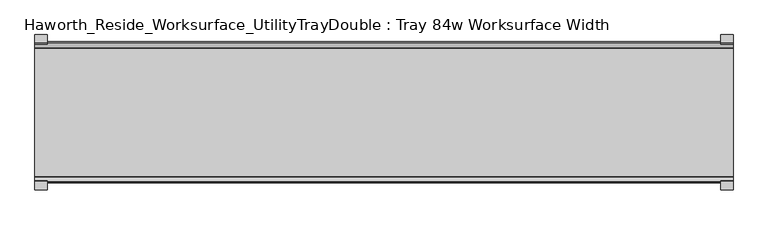
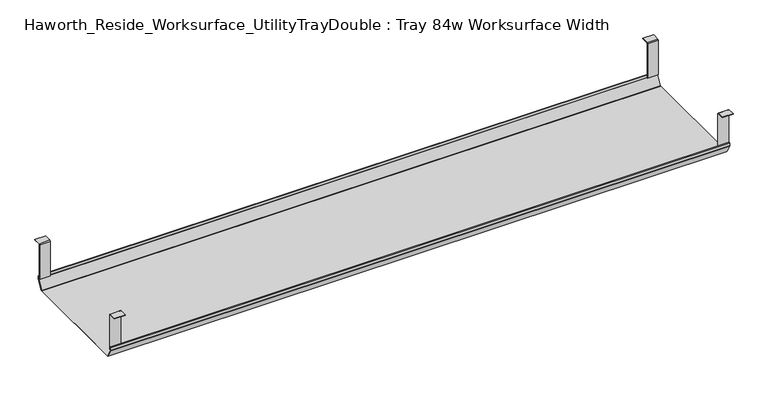
"""IFC4 building model written with IfcOpenShell, lengths in millimetres: furniture geometry, Haworth_Reside_Worksurface_UtilityTrayDouble : Tray 84w Worksurface Width."""

import ifcopenshell
import ifcopenshell.guid

model = None  # the IFC model being written
_history = None  # IfcOwnerHistory: only IFC2X3 demands one
_inside = {}  # id of a spatial element -> (the spatial element, [elements in it])
_under = {}  # id of a project, library or spatial element -> (it, [spatial elements below it])
_declared = {}  # id of a project -> (the project, [libraries it declares])
_typed = {}  # id of a type object -> (the type object, [elements of that type])
_made_of = {}  # id of a material, layer set ... -> (it, [elements and type objects made of it])


def new_model(schema):
    """Start an empty IFC model of exactly this schema.

    Asked for "IFC4X3", IfcOpenShell would pick the latest addendum, in which some entities
    have other attributes; the version numbers below select the first issue.
    IFC2X3 requires an IfcOwnerHistory on every rooted entity: one is made here for all.
    """
    global model, _history
    if schema == "IFC4X3":
        model = ifcopenshell.file(schema_version=(4, 3, 0, 0))
    else:
        model = ifcopenshell.file(schema=schema)
    _inside.clear()
    _under.clear()
    _declared.clear()
    _typed.clear()
    _made_of.clear()
    _history = None
    if model.schema == "IFC2X3":
        org = make("IfcOrganization", Name="unknown")
        user = make(
            "IfcPersonAndOrganization",
            ThePerson=make("IfcPerson", FamilyName="unknown"),
            TheOrganization=org,
        )
        app = make(
            "IfcApplication",
            ApplicationDeveloper=org,
            Version="unknown",
            ApplicationFullName="unknown",
            ApplicationIdentifier="unknown",
        )
        _history = make(
            "IfcOwnerHistory",
            OwningUser=user,
            OwningApplication=app,
            ChangeAction="ADDED",
            CreationDate=0,
        )
    return model


def make(cls, **values):
    """One entity of the class cls with the attributes given. An attribute that is None is left unset."""
    return model.create_entity(
        cls, **{name: value for name, value in values.items() if value is not None}
    )


def rooted(cls, **values):
    """An entity with a GlobalId (a new one), such as an element, a storey or a relation."""
    return make(cls, GlobalId=ifcopenshell.guid.new(), OwnerHistory=_history, **values)


def si_unit(unit_type, name, prefix=None):
    """IfcSIUnit, for example si_unit("LENGTHUNIT", "METRE", prefix="MILLI")."""
    return make("IfcSIUnit", UnitType=unit_type, Prefix=prefix, Name=name)


def assignment(units):
    """IfcUnitAssignment: the units of a project."""
    return None if units is None else make("IfcUnitAssignment", Units=units)


def point(xyz):
    """IfcCartesianPoint."""
    return None if xyz is None else make("IfcCartesianPoint", Coordinates=xyz)


def direction(xyz):
    """IfcDirection."""
    return None if xyz is None else make("IfcDirection", DirectionRatios=xyz)


def frame(location, z_axis=None, x_axis=None):
    """IfcAxis2Placement3D, a coordinate frame: its origin and axes. An axis left out is left unset."""
    return make(
        "IfcAxis2Placement3D",
        Location=point(location),
        Axis=direction(z_axis),
        RefDirection=direction(x_axis),
    )


def origin():
    """The frame at (0, 0, 0) with its axes left unset."""
    return frame((0.0, 0.0, 0.0))


def place(relative_to, where):
    """IfcLocalPlacement: puts the frame where relative to a parent placement (None: the world)."""
    return make(
        "IfcLocalPlacement", PlacementRelTo=relative_to, RelativePlacement=where
    )


def context(
    kind, dimensions, precision=None, world=None, true_north=None, identifier=None
):
    """IfcGeometricRepresentationContext, for example the 3D "Model" context."""
    return make(
        "IfcGeometricRepresentationContext",
        ContextIdentifier=identifier,
        ContextType=kind,
        CoordinateSpaceDimension=dimensions,
        Precision=precision,
        WorldCoordinateSystem=world,
        TrueNorth=true_north,
    )


def project(units=None, contexts=None):
    """IfcProject with its units and contexts."""
    return rooted(
        "IfcProject",
        Name="project",
        RepresentationContexts=contexts,
        UnitsInContext=assignment(units),
    )


def spatial(cls, under=None, at=None, **own):
    """A site, building, storey or space (cls), placed at a placement, below another one or the project."""
    s = rooted(cls, ObjectPlacement=at, **own)
    if under is not None:
        _under.setdefault(under.id(), (under, []))[1].append(s)
    return s


def polyline(points):
    """IfcPolyline through the points."""
    return make("IfcPolyline", Points=[point(p) for p in points])


def outline(outer, holes=None, kind="AREA"):
    """IfcArbitraryClosedProfileDef: a profile drawn as a closed curve; with holes, ...WithVoids."""
    if holes is None:
        return make("IfcArbitraryClosedProfileDef", ProfileType=kind, OuterCurve=outer)
    return make(
        "IfcArbitraryProfileDefWithVoids",
        ProfileType=kind,
        OuterCurve=outer,
        InnerCurves=holes,
    )


def extrude(swept, where, along, depth):
    """IfcExtrudedAreaSolid: the profile swept, set in the frame where, extruded along a direction by depth."""
    return make(
        "IfcExtrudedAreaSolid",
        SweptArea=swept,
        Position=where,
        ExtrudedDirection=direction(along),
        Depth=depth,
    )


def shape(context_of_items, identifier, shape_type, items):
    """IfcShapeRepresentation: the items that make up one representation, for example the "Body"."""
    return make(
        "IfcShapeRepresentation",
        ContextOfItems=context_of_items,
        RepresentationIdentifier=identifier,
        RepresentationType=shape_type,
        Items=items,
    )


def source(mapping_origin, context_of_items, identifier, shape_type, items):
    """IfcRepresentationMap: a shape defined once, which mapped items show again and again."""
    return make(
        "IfcRepresentationMap",
        MappingOrigin=mapping_origin,
        MappedRepresentation=shape(context_of_items, identifier, shape_type, items),
    )


def transform(
    local_origin,
    x_axis=None,
    y_axis=None,
    z_axis=None,
    scale=None,
    scale2=None,
    scale3=None,
    uniform=True,
):
    """IfcCartesianTransformationOperator3D, or its non-uniform kind. x_axis, y_axis, z_axis: its Axis1, 2, 3."""
    if uniform:
        return make(
            "IfcCartesianTransformationOperator3D",
            Axis1=direction(x_axis),
            Axis2=direction(y_axis),
            LocalOrigin=point(local_origin),
            Scale=scale,
            Axis3=direction(z_axis),
        )
    return make(
        "IfcCartesianTransformationOperator3DnonUniform",
        Axis1=direction(x_axis),
        Axis2=direction(y_axis),
        LocalOrigin=point(local_origin),
        Scale=scale,
        Axis3=direction(z_axis),
        Scale2=scale2,
        Scale3=scale3,
    )


def mapped(mapping_source, mapping_target):
    """IfcMappedItem: shows the shape of a source again, moved by a transform."""
    return make(
        "IfcMappedItem", MappingSource=mapping_source, MappingTarget=mapping_target
    )


def made_of(thing, what):
    """Note that an element or type object is made of a material, layer set ...; save() writes the relation."""
    if what is not None:
        _made_of.setdefault(what.id(), (what, []))[1].append(thing)
    return thing


def element(
    cls,
    number,
    at=None,
    inside=None,
    cuts=None,
    type_object=None,
    material=None,
    context=None,
    identifier="Body",
    shape_type=None,
    held_by="IfcProductDefinitionShape",
    body=None,
    shapes=None,
    **own,
):
    """One element of the class cls, such as IfcWall. Its Tag is "e" and its number.

    at: its placement. inside: the storey or other place that contains it. cuts: it is an
    opening in that element (IfcRelVoidsElement). A single representation is given by context,
    identifier, shape_type and body (its items); several are given by shapes. held_by: the class
    of the entity that holds the representations. save() writes the other relations.
    """
    e = rooted(cls, Tag="e%d" % number, ObjectPlacement=at, **own)
    if body is not None:
        shapes = [shape(context, identifier, shape_type, body)]
    if shapes is not None:
        e.Representation = make(held_by, Representations=shapes)
    if inside is not None:
        _inside.setdefault(inside.id(), (inside, []))[1].append(e)
    if cuts is not None:
        rooted(
            "IfcRelVoidsElement", RelatingBuildingElement=cuts, RelatedOpeningElement=e
        )
    if type_object is not None:
        _typed.setdefault(type_object.id(), (type_object, []))[1].append(e)
    return made_of(e, material)


def aggregate(whole, parts):
    """IfcRelAggregates: a whole, such as a stair, and the parts it consists of."""
    return rooted("IfcRelAggregates", RelatingObject=whole, RelatedObjects=parts)


def save(model, path):
    """Write the relations noted so far, then the file.

    IfcRelAggregates (storeys below a building ...), IfcRelContainedInSpatialStructure (elements
    in a storey), IfcRelDefinesByType, IfcRelAssociatesMaterial and IfcRelDeclares: one each for
    every whole, place, type object, material and project.
    """
    for whole, parts in _under.values():
        aggregate(whole, parts)
    for where, things in _inside.values():
        rooted(
            "IfcRelContainedInSpatialStructure",
            RelatedElements=things,
            RelatingStructure=where,
        )
    for kind, things in _typed.values():
        rooted("IfcRelDefinesByType", RelatedObjects=things, RelatingType=kind)
    for what, things in _made_of.values():
        rooted("IfcRelAssociatesMaterial", RelatedObjects=things, RelatingMaterial=what)
    for by, libraries in _declared.values():
        rooted("IfcRelDeclares", RelatingContext=by, RelatedDefinitions=libraries)
    model.write(path)


def haworth_reside_worksurface_utilitytraydouble_tray_84w_f5ab60f4(model_context):
    return source(origin(), model_context, "Body", "SweptSolid", [
        extrude(outline(polyline([(-721.2228768, 731.8375), (-718.8278791, 729.4425023), (-718.8278791, 621.6649855), (-720.2248778, 621.6649855), (-720.2248778, 729.0734626), (-721.7824239, 730.6310087), (-743.0086797, 730.6310087), (-743.0086797, 731.8375), (-721.2228768, 731.8375)])), frame((1098.4991976, 0.0, 0.0), z_axis=(1.0, 0.0, 0.0), x_axis=(0.0, 1.0, 0.0)), (0.0, 0.0, 1.0), 31.8008024),
        extrude(outline(polyline([(-357.7340763, 731.8375), (-335.9482734, 731.8375), (-335.9482734, 730.6310087), (-357.1745292, 730.6310087), (-358.7320753, 729.0734626), (-358.7320753, 621.6649855), (-360.129074, 621.6649855), (-360.129074, 729.4425023), (-357.7340763, 731.8375)])), frame((1098.4991976, 0.0, 0.0), z_axis=(1.0, 0.0, 0.0), x_axis=(0.0, 1.0, 0.0)), (0.0, 0.0, 1.0), 31.8008024),
        extrude(outline(polyline([(-721.2228768, 731.8375), (-718.8278791, 729.4425023), (-718.8278791, 621.6649855), (-720.2248778, 621.6649855), (-720.2248778, 729.0734626), (-721.7824239, 730.6310087), (-743.0086797, 730.6310087), (-743.0086797, 731.8375), (-721.2228768, 731.8375)])), frame((-698.5, 0.0, 0.0), z_axis=(1.0, 0.0, 0.0), x_axis=(0.0, 1.0, 0.0)), (0.0, 0.0, 1.0), 31.8008024),
        extrude(outline(polyline([(-357.7340763, 731.8375), (-335.9482734, 731.8375), (-335.9482734, 730.6310087), (-357.1745292, 730.6310087), (-358.7320753, 729.0734626), (-358.7320753, 621.6649855), (-360.129074, 621.6649855), (-360.129074, 729.4425023), (-357.7340763, 731.8375)])), frame((-698.5, 0.0, 0.0), z_axis=(1.0, 0.0, 0.0), x_axis=(0.0, 1.0, 0.0)), (0.0, 0.0, 1.0), 31.8008024),
        extrude(outline(polyline([(-725.025475, 629.0309966), (-722.993477, 631.0629947), (-722.432211, 630.5017287), (-724.231725, 628.7022146), (-724.231725, 620.8042827), (-724.0067745, 619.9647622), (-708.9140802, 593.8234395), (-707.4787101, 592.9947272), (-371.478243, 592.9947272), (-370.0428729, 593.8234395), (-354.9501786, 619.9647622), (-354.7252281, 620.8042827), (-354.7252281, 628.7022146), (-356.5247421, 630.5017287), (-355.9634761, 631.0629947), (-353.9314781, 629.0309966), (-353.9314781, 620.6997828), (-354.2105217, 619.6583856), (-369.5353957, 593.1149156), (-371.1183815, 592.2009772), (-707.691395, 592.2009772), (-709.4951457, 593.2423744), (-724.7464314, 619.6583856), (-725.025475, 620.6997828), (-725.025475, 629.0309966)])), frame((-698.5, 0.0, 0.0), z_axis=(1.0, 0.0, 0.0), x_axis=(0.0, 1.0, 0.0)), (0.0, 0.0, 1.0), 1828.8),
    ])


if __name__ == "__main__":
    model = new_model("IFC4")
    model_context = context("Model", 3, world=origin())
    ifc_project = project(units=[si_unit("LENGTHUNIT", "METRE", prefix="MILLI")], contexts=[model_context])
    site = spatial("IfcSite", under=ifc_project)
    building = spatial("IfcBuilding", under=site)
    placement = place(None, origin())
    haworth_reside_worksurface_utilitytraydouble_tray_84w_shape = haworth_reside_worksurface_utilitytraydouble_tray_84w_f5ab60f4(model_context)
    element("IfcFurniture", 1, ObjectType="Haworth_Reside_Worksurface_UtilityTrayDouble : Tray 84w Worksurface Width", at=placement, inside=building, context=model_context, shape_type="MappedRepresentation", body=[
        mapped(haworth_reside_worksurface_utilitytraydouble_tray_84w_shape, transform((0.0, 0.0, 0.0), x_axis=(1.0, 0.0, 0.0), y_axis=(0.0, 1.0, 0.0), z_axis=(0.0, 0.0, 1.0))),
    ])
    save(model, "model.ifc")
